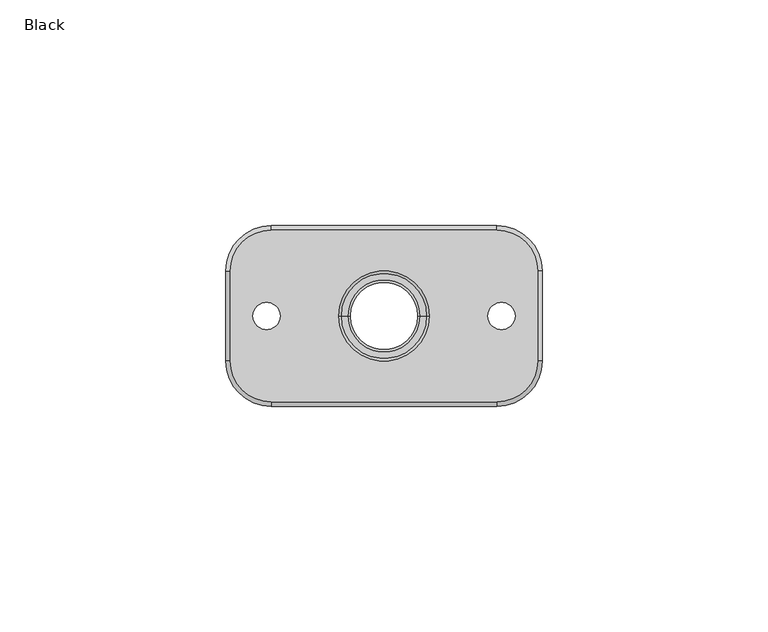
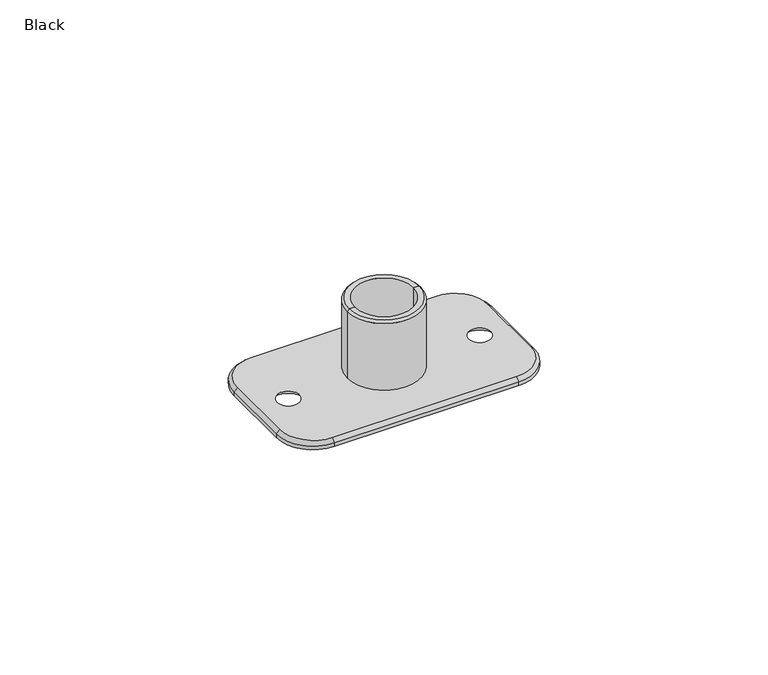
"""IFC4 building model written with IfcOpenShell, lengths in millimetres: proxy geometry, Black."""

import ifcopenshell
import ifcopenshell.guid

model = None  # the IFC model being written
_history = None  # IfcOwnerHistory: only IFC2X3 demands one
_inside = {}  # id of a spatial element -> (the spatial element, [elements in it])
_under = {}  # id of a project, library or spatial element -> (it, [spatial elements below it])
_declared = {}  # id of a project -> (the project, [libraries it declares])
_typed = {}  # id of a type object -> (the type object, [elements of that type])
_made_of = {}  # id of a material, layer set ... -> (it, [elements and type objects made of it])


def new_model(schema):
    """Start an empty IFC model of exactly this schema.

    Asked for "IFC4X3", IfcOpenShell would pick the latest addendum, in which some entities
    have other attributes; the version numbers below select the first issue.
    IFC2X3 requires an IfcOwnerHistory on every rooted entity: one is made here for all.
    """
    global model, _history
    if schema == "IFC4X3":
        model = ifcopenshell.file(schema_version=(4, 3, 0, 0))
    else:
        model = ifcopenshell.file(schema=schema)
    _inside.clear()
    _under.clear()
    _declared.clear()
    _typed.clear()
    _made_of.clear()
    _history = None
    if model.schema == "IFC2X3":
        org = make("IfcOrganization", Name="unknown")
        user = make(
            "IfcPersonAndOrganization",
            ThePerson=make("IfcPerson", FamilyName="unknown"),
            TheOrganization=org,
        )
        app = make(
            "IfcApplication",
            ApplicationDeveloper=org,
            Version="unknown",
            ApplicationFullName="unknown",
            ApplicationIdentifier="unknown",
        )
        _history = make(
            "IfcOwnerHistory",
            OwningUser=user,
            OwningApplication=app,
            ChangeAction="ADDED",
            CreationDate=0,
        )
    return model


def make(cls, **values):
    """One entity of the class cls with the attributes given. An attribute that is None is left unset."""
    return model.create_entity(
        cls, **{name: value for name, value in values.items() if value is not None}
    )


def rooted(cls, **values):
    """An entity with a GlobalId (a new one), such as an element, a storey or a relation."""
    return make(cls, GlobalId=ifcopenshell.guid.new(), OwnerHistory=_history, **values)


def si_unit(unit_type, name, prefix=None):
    """IfcSIUnit, for example si_unit("LENGTHUNIT", "METRE", prefix="MILLI")."""
    return make("IfcSIUnit", UnitType=unit_type, Prefix=prefix, Name=name)


def assignment(units):
    """IfcUnitAssignment: the units of a project."""
    return None if units is None else make("IfcUnitAssignment", Units=units)


def point(xyz):
    """IfcCartesianPoint."""
    return None if xyz is None else make("IfcCartesianPoint", Coordinates=xyz)


def direction(xyz):
    """IfcDirection."""
    return None if xyz is None else make("IfcDirection", DirectionRatios=xyz)


def frame(location, z_axis=None, x_axis=None):
    """IfcAxis2Placement3D, a coordinate frame: its origin and axes. An axis left out is left unset."""
    return make(
        "IfcAxis2Placement3D",
        Location=point(location),
        Axis=direction(z_axis),
        RefDirection=direction(x_axis),
    )


def origin():
    """The frame at (0, 0, 0) with its axes left unset."""
    return frame((0.0, 0.0, 0.0))


def place(relative_to, where):
    """IfcLocalPlacement: puts the frame where relative to a parent placement (None: the world)."""
    return make(
        "IfcLocalPlacement", PlacementRelTo=relative_to, RelativePlacement=where
    )


def context(
    kind, dimensions, precision=None, world=None, true_north=None, identifier=None
):
    """IfcGeometricRepresentationContext, for example the 3D "Model" context."""
    return make(
        "IfcGeometricRepresentationContext",
        ContextIdentifier=identifier,
        ContextType=kind,
        CoordinateSpaceDimension=dimensions,
        Precision=precision,
        WorldCoordinateSystem=world,
        TrueNorth=true_north,
    )


def project(units=None, contexts=None):
    """IfcProject with its units and contexts."""
    return rooted(
        "IfcProject",
        Name="project",
        RepresentationContexts=contexts,
        UnitsInContext=assignment(units),
    )


def spatial(cls, under=None, at=None, **own):
    """A site, building, storey or space (cls), placed at a placement, below another one or the project."""
    s = rooted(cls, ObjectPlacement=at, **own)
    if under is not None:
        _under.setdefault(under.id(), (under, []))[1].append(s)
    return s


def polyline(points):
    """IfcPolyline through the points."""
    return make("IfcPolyline", Points=[point(p) for p in points])


def circle_curve(where, radius):
    """IfcCircle in the frame where."""
    return make("IfcCircle", Position=where, Radius=radius)


def shape(context_of_items, identifier, shape_type, items):
    """IfcShapeRepresentation: the items that make up one representation, for example the "Body"."""
    return make(
        "IfcShapeRepresentation",
        ContextOfItems=context_of_items,
        RepresentationIdentifier=identifier,
        RepresentationType=shape_type,
        Items=items,
    )


def source(mapping_origin, context_of_items, identifier, shape_type, items):
    """IfcRepresentationMap: a shape defined once, which mapped items show again and again."""
    return make(
        "IfcRepresentationMap",
        MappingOrigin=mapping_origin,
        MappedRepresentation=shape(context_of_items, identifier, shape_type, items),
    )


def transform(
    local_origin,
    x_axis=None,
    y_axis=None,
    z_axis=None,
    scale=None,
    scale2=None,
    scale3=None,
    uniform=True,
):
    """IfcCartesianTransformationOperator3D, or its non-uniform kind. x_axis, y_axis, z_axis: its Axis1, 2, 3."""
    if uniform:
        return make(
            "IfcCartesianTransformationOperator3D",
            Axis1=direction(x_axis),
            Axis2=direction(y_axis),
            LocalOrigin=point(local_origin),
            Scale=scale,
            Axis3=direction(z_axis),
        )
    return make(
        "IfcCartesianTransformationOperator3DnonUniform",
        Axis1=direction(x_axis),
        Axis2=direction(y_axis),
        LocalOrigin=point(local_origin),
        Scale=scale,
        Axis3=direction(z_axis),
        Scale2=scale2,
        Scale3=scale3,
    )


def mapped(mapping_source, mapping_target):
    """IfcMappedItem: shows the shape of a source again, moved by a transform."""
    return make(
        "IfcMappedItem", MappingSource=mapping_source, MappingTarget=mapping_target
    )


def made_of(thing, what):
    """Note that an element or type object is made of a material, layer set ...; save() writes the relation."""
    if what is not None:
        _made_of.setdefault(what.id(), (what, []))[1].append(thing)
    return thing


def element(
    cls,
    number,
    at=None,
    inside=None,
    cuts=None,
    type_object=None,
    material=None,
    context=None,
    identifier="Body",
    shape_type=None,
    held_by="IfcProductDefinitionShape",
    body=None,
    shapes=None,
    **own,
):
    """One element of the class cls, such as IfcWall. Its Tag is "e" and its number.

    at: its placement. inside: the storey or other place that contains it. cuts: it is an
    opening in that element (IfcRelVoidsElement). A single representation is given by context,
    identifier, shape_type and body (its items); several are given by shapes. held_by: the class
    of the entity that holds the representations. save() writes the other relations.
    """
    e = rooted(cls, Tag="e%d" % number, ObjectPlacement=at, **own)
    if body is not None:
        shapes = [shape(context, identifier, shape_type, body)]
    if shapes is not None:
        e.Representation = make(held_by, Representations=shapes)
    if inside is not None:
        _inside.setdefault(inside.id(), (inside, []))[1].append(e)
    if cuts is not None:
        rooted(
            "IfcRelVoidsElement", RelatingBuildingElement=cuts, RelatedOpeningElement=e
        )
    if type_object is not None:
        _typed.setdefault(type_object.id(), (type_object, []))[1].append(e)
    return made_of(e, material)


def aggregate(whole, parts):
    """IfcRelAggregates: a whole, such as a stair, and the parts it consists of."""
    return rooted("IfcRelAggregates", RelatingObject=whole, RelatedObjects=parts)


def save(model, path):
    """Write the relations noted so far, then the file.

    IfcRelAggregates (storeys below a building ...), IfcRelContainedInSpatialStructure (elements
    in a storey), IfcRelDefinesByType, IfcRelAssociatesMaterial and IfcRelDeclares: one each for
    every whole, place, type object, material and project.
    """
    for whole, parts in _under.values():
        aggregate(whole, parts)
    for where, things in _inside.values():
        rooted(
            "IfcRelContainedInSpatialStructure",
            RelatedElements=things,
            RelatingStructure=where,
        )
    for kind, things in _typed.values():
        rooted("IfcRelDefinesByType", RelatedObjects=things, RelatingType=kind)
    for what, things in _made_of.values():
        rooted("IfcRelAssociatesMaterial", RelatedObjects=things, RelatingMaterial=what)
    for by, libraries in _declared.values():
        rooted("IfcRelDeclares", RelatingContext=by, RelatedDefinitions=libraries)
    model.write(path)


def plane_surface(at):
    """IfcPlane: the flat surface through the origin of the frame at, square to its z axis."""
    return make("IfcPlane", Position=at)


def cylinder_surface(at, radius):
    """IfcCylindricalSurface: all points at the distance radius from the z axis of the frame at."""
    return make("IfcCylindricalSurface", Position=at, Radius=radius)


def revolved_surface(curve, axis_point, axis_direction):
    """IfcSurfaceOfRevolution: the curve turned about the line through axis_point along axis_direction."""
    return make(
        "IfcSurfaceOfRevolution",
        SweptCurve=make("IfcArbitraryOpenProfileDef", ProfileType="CURVE", Curve=curve),
        AxisPosition=make("IfcAxis1Placement", Location=point(axis_point), Axis=direction(axis_direction)),
    )


def advanced_brep(points, edges, surfaces, faces):
    """IfcAdvancedBrep: a solid bounded by faces that lie on surfaces and meet in shared edges.

    An edge is (start, end): straight between two places in points (the first is 0);
    or (start, end, curve); or (start, end, curve, False) where it runs against its curve.
    A face is (place in surfaces, loops), or (place, loops, False) where it looks against
    its surface's normal. A loop lists edges by number (the first is 1), with a minus sign
    where the edge is run from its end to its start. The first loop is the outer one.
    """
    corners = [point(p) for p in points]
    vertices = [make("IfcVertexPoint", VertexGeometry=c) for c in corners]
    made = []
    for start, end, *more in edges:
        made.append(
            make(
                "IfcEdgeCurve",
                EdgeStart=vertices[start],
                EdgeEnd=vertices[end],
                EdgeGeometry=more[0] if more else make("IfcPolyline", Points=[corners[start], corners[end]]),
                SameSense=more[1] if len(more) > 1 else True,
            )
        )
    hull = []
    for where, loops, *sense in faces:
        bounds = []
        for j, loop in enumerate(loops):
            ring = [make("IfcOrientedEdge", EdgeElement=made[abs(k) - 1], Orientation=k > 0) for k in loop]
            bounds.append(
                make(
                    "IfcFaceOuterBound" if j == 0 else "IfcFaceBound",
                    Bound=make("IfcEdgeLoop", EdgeList=ring),
                    Orientation=True,
                )
            )
        hull.append(make("IfcAdvancedFace", Bounds=bounds, FaceSurface=surfaces[where], SameSense=sense[0] if sense else True))
    return make("IfcAdvancedBrep", Outer=make("IfcClosedShell", CfsFaces=hull))


def black_119f8cb9(model_context):
    return source(origin(), model_context, "Body", "AdvancedBrep", [
        advanced_brep(
        [(-34.0, -10.0, 0.0), (-25.0, -19.0, 0.0), (25.0, -19.0, 0.0), (34.0, -10.0, 0.0), (34.0, 10.0, 0.0), (25.0, 19.0, 0.0), (-25.0, 19.0, 0.0), (-34.0, 10.0, 0.0), (7.5, 0.0, 0.0), (-7.5, 0.0, 0.0), (-29.0, 0.0, 0.0), (-23.0, 0.0, 0.0), (23.0, 0.0, 0.0), (29.0, 0.0, 0.0), (25.0, -20.0, -2.0), (-25.0, -20.0, -2.0), (-35.0, -10.0, -2.0), (-35.0, 10.0, -2.0), (-25.0, 20.0, -2.0), (25.0, 20.0, -2.0), (35.0, 10.0, -2.0), (35.0, -10.0, -2.0), (-7.5, 0.0, -2.0), (7.5, 0.0, -2.0), (-21.0, 0.0, -2.0), (-31.0, 0.0, -2.0), (31.0, 0.0, -2.0), (21.0, 0.0, -2.0), (35.0, -10.0, -1.0), (25.0, -20.0, -1.0), (35.0, 10.0, -1.0), (25.0, 20.0, -1.0), (-25.0, 20.0, -1.0), (-35.0, 10.0, -1.0), (-35.0, -10.0, -1.0), (-25.0, -20.0, -1.0)],
        [
            (0, 1, circle_curve(frame((-25.0, -10.0, 0.0), z_axis=(0.0, 0.0, 1.0), x_axis=(-1.0, 0.0, 0.0)), 9.0)),
            (1, 2),
            (2, 3, circle_curve(frame((25.0, -10.0, 0.0), z_axis=(0.0, 0.0, 1.0), x_axis=(0.0, -1.0, 0.0)), 9.0)),
            (3, 4),
            (4, 5, circle_curve(frame((25.0, 10.0, 0.0), z_axis=(0.0, 0.0, 1.0), x_axis=(1.0, 0.0, 0.0)), 9.0)),
            (5, 6),
            (6, 7, circle_curve(frame((-25.0, 10.0, 0.0), z_axis=(0.0, 0.0, 1.0), x_axis=(0.0, 1.0, 0.0)), 9.0)),
            (7, 0),
            (8, 9, circle_curve(frame((0.0, 0.0, 0.0), z_axis=(0.0, 0.0, -1.0), x_axis=(1.0, 0.0, 0.0)), 7.5)),
            (9, 8, circle_curve(frame((0.0, 0.0, 0.0), z_axis=(0.0, 0.0, -1.0), x_axis=(1.0, 0.0, 0.0)), 7.5)),
            (10, 11, circle_curve(frame((-26.0, 0.0, 0.0), z_axis=(0.0, 0.0, -1.0), x_axis=(-1.0, 0.0, 0.0)), 3.0)),
            (11, 10, circle_curve(frame((-26.0, 0.0, 0.0), z_axis=(0.0, 0.0, -1.0), x_axis=(-1.0, 0.0, 0.0)), 3.0)),
            (12, 13, circle_curve(frame((26.0, 0.0, 0.0), z_axis=(0.0, 0.0, -1.0), x_axis=(1.0, 0.0, 0.0)), 3.0)),
            (13, 12, circle_curve(frame((26.0, 0.0, 0.0), z_axis=(0.0, 0.0, -1.0), x_axis=(1.0, 0.0, 0.0)), 3.0)),
            (14, 15),
            (15, 16, circle_curve(frame((-25.0, -10.0, -2.0), z_axis=(0.0, 0.0, -1.0), x_axis=(1.0, 0.0, 0.0)), 10.0)),
            (16, 17),
            (17, 18, circle_curve(frame((-25.0, 10.0, -2.0), z_axis=(0.0, 0.0, -1.0), x_axis=(1.0, 0.0, 0.0)), 10.0)),
            (18, 19),
            (19, 20, circle_curve(frame((25.0, 10.0, -2.0), z_axis=(0.0, 0.0, -1.0), x_axis=(1.0, 0.0, 0.0)), 10.0)),
            (20, 21),
            (21, 14, circle_curve(frame((25.0, -10.0, -2.0), z_axis=(0.0, 0.0, -1.0), x_axis=(1.0, 0.0, 0.0)), 10.0)),
            (22, 23, circle_curve(frame((0.0, 0.0, -2.0), z_axis=(0.0, 0.0, 1.0), x_axis=(1.0, 0.0, 0.0)), 7.5)),
            (23, 22, circle_curve(frame((0.0, 0.0, -2.0), z_axis=(0.0, 0.0, 1.0), x_axis=(1.0, 0.0, 0.0)), 7.5)),
            (24, 25, circle_curve(frame((-26.0, 0.0, -2.0), z_axis=(0.0, 0.0, 1.0), x_axis=(-1.0, 0.0, 0.0)), 5.0)),
            (25, 24, circle_curve(frame((-26.0, 0.0, -2.0), z_axis=(0.0, 0.0, 1.0), x_axis=(-1.0, 0.0, 0.0)), 5.0)),
            (26, 27, circle_curve(frame((26.0, 0.0, -2.0), z_axis=(0.0, 0.0, 1.0), x_axis=(1.0, 0.0, 0.0)), 5.0)),
            (27, 26, circle_curve(frame((26.0, 0.0, -2.0), z_axis=(0.0, 0.0, 1.0), x_axis=(1.0, 0.0, 0.0)), 5.0)),
            (21, 28),
            (28, 29, circle_curve(frame((25.0, -10.0, -1.0), z_axis=(0.0, 0.0, -1.0), x_axis=(1.0, 0.0, 0.0)), 10.0)),
            (29, 14),
            (20, 30),
            (30, 28),
            (19, 31),
            (31, 30, circle_curve(frame((25.0, 10.0, -1.0), z_axis=(0.0, 0.0, -1.0), x_axis=(1.0, 0.0, 0.0)), 10.0)),
            (18, 32),
            (32, 31),
            (17, 33),
            (33, 32, circle_curve(frame((-25.0, 10.0, -1.0), z_axis=(0.0, 0.0, -1.0), x_axis=(1.0, 0.0, 0.0)), 10.0)),
            (16, 34),
            (34, 33),
            (15, 35),
            (35, 34, circle_curve(frame((-25.0, -10.0, -1.0), z_axis=(0.0, 0.0, -1.0), x_axis=(1.0, 0.0, 0.0)), 10.0)),
            (29, 35),
            (8, 23),
            (22, 9),
            (24, 11),
            (10, 25),
            (12, 27),
            (26, 13),
            (35, 1),
            (0, 34),
            (29, 2),
            (28, 3),
            (30, 4),
            (31, 5),
            (32, 6),
            (33, 7),
        ],
        [
            plane_surface(frame((35.0, -10.0, 0.0), z_axis=(0.0, 0.0, 1.0), x_axis=(0.0, 1.0, 0.0))),
            plane_surface(frame((35.0, -10.0, -2.0), z_axis=(0.0, 0.0, -1.0), x_axis=(0.0, -1.0, 0.0))),
            cylinder_surface(frame((25.0, -10.0, -2.0), z_axis=(0.0, 0.0, 1.0), x_axis=(1.0, 0.0, 0.0)), 10.0),
            plane_surface(frame((35.0, -10.0, 0.0), z_axis=(1.0, 0.0, 0.0), x_axis=(0.0, 0.0, -1.0))),
            cylinder_surface(frame((25.0, 10.0, -2.0), z_axis=(0.0, 0.0, 1.0), x_axis=(1.0, 0.0, 0.0)), 10.0),
            plane_surface(frame((25.0, 20.0, 0.0), z_axis=(0.0, 1.0, 0.0), x_axis=(0.0, 0.0, -1.0))),
            cylinder_surface(frame((-25.0, 10.0, -2.0), z_axis=(0.0, 0.0, 1.0), x_axis=(1.0, 0.0, 0.0)), 10.0),
            plane_surface(frame((-35.0, 10.0, 0.0), z_axis=(-1.0, 0.0, 0.0), x_axis=(0.0, 0.0, -1.0))),
            cylinder_surface(frame((-25.0, -10.0, -2.0), z_axis=(0.0, 0.0, 1.0), x_axis=(1.0, 0.0, 0.0)), 10.0),
            plane_surface(frame((-25.0, -20.0, 0.0), z_axis=(0.0, -1.0, 0.0), x_axis=(0.0, 0.0, -1.0))),
            revolved_surface(polyline([(7.5, 0.0, 0.0), (7.5, 0.0, -2.0)]), (0.0, 0.0, -2.0), (0.0, 0.0, 1.0)),
            revolved_surface(polyline([(-31.0, 0.0, -2.0), (-29.0, 0.0, 0.0)]), (-26.0, 0.0, 0.0), (0.0, 0.0, -1.0)),
            revolved_surface(polyline([(29.0, 0.0, 0.0), (31.0, 0.0, -2.0)]), (26.0, 0.0, 0.0), (0.0, 0.0, 1.0)),
            revolved_surface(polyline([(-35.0, -10.0, -1.0), (-34.0, -10.0, 0.0)]), (-25.0, -10.0, 0.0), (0.0, 0.0, 1.0)),
            plane_surface(frame((-25.0, -19.0, 0.0), z_axis=(0.0, -0.7071067811865466, 0.7071067811865485), x_axis=(1.0, 0.0, 0.0))),
            revolved_surface(polyline([(25.0, -20.0, -1.0), (25.0, -19.0, 0.0)]), (25.0, -10.0, 0.0), (0.0, 0.0, 1.0)),
            plane_surface(frame((34.0, -10.0, 0.0), z_axis=(0.7071067811865466, 0.0, 0.7071067811865485), x_axis=(0.0, 1.0, 0.0))),
            revolved_surface(polyline([(35.0, 10.0, -1.0), (34.0, 10.0, 0.0)]), (25.0, 10.0, 0.0), (0.0, 0.0, 1.0)),
            plane_surface(frame((25.0, 19.0, 0.0), z_axis=(0.0, 0.7071067811865466, 0.7071067811865485), x_axis=(-1.0, 0.0, 0.0))),
            revolved_surface(polyline([(-25.0, 20.0, -1.0), (-25.0, 19.0, 0.0)]), (-25.0, 10.0, 0.0), (0.0, 0.0, 1.0)),
            plane_surface(frame((-34.0, 10.0, 0.0), z_axis=(-0.7071067811865466, 0.0, 0.7071067811865485), x_axis=(0.0, -1.0, 0.0))),
        ],
        [
            (0, [[1, 2, 3, 4, 5, 6, 7, 8], [9, 10], [11, 12], [13, 14]]),
            (1, [[15, 16, 17, 18, 19, 20, 21, 22], [23, 24], [25, 26], [27, 28]]),
            (2, [[-22, 29, 30, 31]]),
            (3, [[-21, 32, 33, -29]]),
            (4, [[-20, 34, 35, -32]]),
            (5, [[-19, 36, 37, -34]]),
            (6, [[-18, 38, 39, -36]]),
            (7, [[-17, 40, 41, -38]]),
            (8, [[-16, 42, 43, -40]]),
            (9, [[-15, -31, 44, -42]]),
            (10, [[45, -23, 46, -9]]),
            (10, [[-45, -10, -46, -24]]),
            (11, [[47, -11, 48, -25]]),
            (11, [[-47, -26, -48, -12]]),
            (12, [[49, -27, 50, -13]]),
            (12, [[-49, -14, -50, -28]]),
            (13, [[51, -1, 52, -43]]),
            (14, [[-51, -44, 53, -2]]),
            (15, [[-53, -30, 54, -3]]),
            (16, [[-54, -33, 55, -4]]),
            (17, [[-55, -35, 56, -5]]),
            (18, [[-56, -37, 57, -6]]),
            (19, [[-57, -39, 58, -7]]),
            (20, [[-52, -8, -58, -41]]),
        ],
    ),
        advanced_brep(
        [(8.6, 0.0, -2.0), (-8.6, 0.0, -2.0), (-8.6, 0.0, 6.0), (8.6, 0.0, 6.0), (11.5, 0.0, -2.0), (-11.5, 0.0, -2.0), (11.5, 0.0, -3.0), (-11.5, 0.0, -3.0), (7.5, 0.0, -3.0), (-7.5, 0.0, -3.0), (7.5, 0.0, 6.0), (-7.5, 0.0, 6.0)],
        [
            (0, 1, circle_curve(frame((0.0, 0.0, -2.0), z_axis=(0.0, 0.0, 1.0), x_axis=(-1.0, 0.0, 0.0)), 8.6)),
            (1, 2),
            (2, 3, circle_curve(frame((0.0, 0.0, 6.0), z_axis=(0.0, 0.0, -1.0), x_axis=(-1.0, 0.0, 0.0)), 8.6)),
            (3, 0),
            (1, 0, circle_curve(frame((0.0, 0.0, -2.0), z_axis=(0.0, 0.0, 1.0), x_axis=(-1.0, 0.0, 0.0)), 8.6)),
            (3, 2, circle_curve(frame((0.0, 0.0, 6.0), z_axis=(0.0, 0.0, -1.0), x_axis=(-1.0, 0.0, 0.0)), 8.6)),
            (4, 5, circle_curve(frame((0.0, 0.0, -2.0), z_axis=(0.0, 0.0, 1.0), x_axis=(-1.0, 0.0, 0.0)), 11.5)),
            (5, 1),
            (0, 4),
            (5, 4, circle_curve(frame((0.0, 0.0, -2.0), z_axis=(0.0, 0.0, 1.0), x_axis=(-1.0, 0.0, 0.0)), 11.5)),
            (6, 7, circle_curve(frame((0.0, 0.0, -3.0), z_axis=(0.0, 0.0, 1.0), x_axis=(-1.0, 0.0, 0.0)), 11.5)),
            (7, 5),
            (4, 6),
            (7, 6, circle_curve(frame((0.0, 0.0, -3.0), z_axis=(0.0, 0.0, 1.0), x_axis=(-1.0, 0.0, 0.0)), 11.5)),
            (8, 9, circle_curve(frame((0.0, 0.0, -3.0), z_axis=(0.0, 0.0, 1.0), x_axis=(-1.0, 0.0, 0.0)), 7.5)),
            (9, 7),
            (6, 8),
            (9, 8, circle_curve(frame((0.0, 0.0, -3.0), z_axis=(0.0, 0.0, 1.0), x_axis=(-1.0, 0.0, 0.0)), 7.5)),
            (10, 11, circle_curve(frame((0.0, 0.0, 6.0), z_axis=(0.0, 0.0, 1.0), x_axis=(-1.0, 0.0, 0.0)), 7.5)),
            (11, 9),
            (8, 10),
            (11, 10, circle_curve(frame((0.0, 0.0, 6.0), z_axis=(0.0, 0.0, 1.0), x_axis=(-1.0, 0.0, 0.0)), 7.5)),
            (2, 11),
            (10, 3),
        ],
        [
            cylinder_surface(frame((0.0, 0.0, 4.5433419), z_axis=(0.0, 0.0, -1.0), x_axis=(-1.0, 0.0, 0.0)), 8.6),
            plane_surface(frame((0.0, 0.0, -2.0), z_axis=(0.0, 0.0, 1.0), x_axis=(-1.0, 0.0, 0.0))),
            cylinder_surface(frame((0.0, 0.0, 4.5433419), z_axis=(0.0, 0.0, -1.0), x_axis=(-1.0, 0.0, 0.0)), 11.5),
            plane_surface(frame((0.0, 0.0, -3.0), z_axis=(0.0, 0.0, -1.0), x_axis=(-1.0, 0.0, 0.0))),
            revolved_surface(polyline([(-7.5, 0.0, -3.0), (-7.5, 0.0, 6.0)]), (0.0, 0.0, 4.5433419), (0.0, 0.0, -1.0)),
            plane_surface(frame((0.0, 0.0, 6.0), z_axis=(0.0, 0.0, 1.0), x_axis=(-1.0, 0.0, 0.0))),
        ],
        [
            (0, [[1, 2, 3, 4]]),
            (0, [[5, -4, 6, -2]]),
            (1, [[7, 8, -1, 9]]),
            (1, [[10, -9, -5, -8]]),
            (2, [[11, 12, -7, 13]]),
            (2, [[14, -13, -10, -12]]),
            (3, [[15, 16, -11, 17]]),
            (3, [[18, -17, -14, -16]]),
            (4, [[19, 20, -15, 21]]),
            (4, [[22, -21, -18, -20]]),
            (5, [[-3, 23, -19, 24]]),
            (5, [[-6, -24, -22, -23]]),
        ],
    ),
        advanced_brep(
        [(9.4, 0.0, 20.0), (-9.4, 0.0, 20.0), (-8.0, 0.0, 20.0), (8.0, 0.0, 20.0), (10.0, 0.0, 19.4), (-10.0, 0.0, 19.4), (10.0, 0.0, 0.0), (-10.0, 0.0, 0.0), (8.0, 0.0, 0.0), (-8.0, 0.0, 0.0)],
        [
            (0, 1, circle_curve(frame((0.0, 0.0, 20.0), z_axis=(0.0, 0.0, 1.0), x_axis=(-1.0, 0.0, 0.0)), 9.4)),
            (1, 2),
            (2, 3, circle_curve(frame((0.0, 0.0, 20.0), z_axis=(0.0, 0.0, -1.0), x_axis=(-1.0, 0.0, 0.0)), 8.0)),
            (3, 0),
            (1, 0, circle_curve(frame((0.0, 0.0, 20.0), z_axis=(0.0, 0.0, 1.0), x_axis=(-1.0, 0.0, 0.0)), 9.4)),
            (3, 2, circle_curve(frame((0.0, 0.0, 20.0), z_axis=(0.0, 0.0, -1.0), x_axis=(-1.0, 0.0, 0.0)), 8.0)),
            (4, 5, circle_curve(frame((0.0, 0.0, 19.4), z_axis=(0.0, 0.0, 1.0), x_axis=(-1.0, 0.0, 0.0)), 10.0)),
            (5, 1),
            (0, 4),
            (5, 4, circle_curve(frame((0.0, 0.0, 19.4), z_axis=(0.0, 0.0, 1.0), x_axis=(-1.0, 0.0, 0.0)), 10.0)),
            (6, 7, circle_curve(frame((0.0, 0.0, 0.0), z_axis=(0.0, 0.0, 1.0), x_axis=(-1.0, 0.0, 0.0)), 10.0)),
            (7, 5),
            (4, 6),
            (7, 6, circle_curve(frame((0.0, 0.0, 0.0), z_axis=(0.0, 0.0, 1.0), x_axis=(-1.0, 0.0, 0.0)), 10.0)),
            (8, 9, circle_curve(frame((0.0, 0.0, 0.0), z_axis=(0.0, 0.0, 1.0), x_axis=(-1.0, 0.0, 0.0)), 8.0)),
            (9, 7),
            (6, 8),
            (9, 8, circle_curve(frame((0.0, 0.0, 0.0), z_axis=(0.0, 0.0, 1.0), x_axis=(-1.0, 0.0, 0.0)), 8.0)),
            (2, 9),
            (8, 3),
        ],
        [
            plane_surface(frame((0.0, 0.0, 20.0), z_axis=(0.0, 0.0, 1.0), x_axis=(-1.0, 0.0, 0.0))),
            revolved_surface(polyline([(-9.4, 0.0, 20.0), (-10.0, 0.0, 19.4)]), (0.0, 0.0, 21.1598968), (0.0, 0.0, -1.0)),
            cylinder_surface(frame((0.0, 0.0, 21.1598968), z_axis=(0.0, 0.0, -1.0), x_axis=(-1.0, 0.0, 0.0)), 10.0),
            plane_surface(frame((0.0, 0.0, 0.0), z_axis=(0.0, 0.0, -1.0), x_axis=(-1.0, 0.0, 0.0))),
            revolved_surface(polyline([(-8.0, 0.0, 0.0), (-8.0, 0.0, 20.0)]), (0.0, 0.0, 21.1598968), (0.0, 0.0, -1.0)),
        ],
        [
            (0, [[1, 2, 3, 4]]),
            (0, [[5, -4, 6, -2]]),
            (1, [[7, 8, -1, 9]]),
            (1, [[10, -9, -5, -8]]),
            (2, [[11, 12, -7, 13]]),
            (2, [[14, -13, -10, -12]]),
            (3, [[15, 16, -11, 17]]),
            (3, [[18, -17, -14, -16]]),
            (4, [[-3, 19, -15, 20]]),
            (4, [[-6, -20, -18, -19]]),
        ],
    ),
    ])


if __name__ == "__main__":
    model = new_model("IFC4")
    model_context = context("Model", 3, world=origin())
    ifc_project = project(units=[si_unit("LENGTHUNIT", "METRE", prefix="MILLI")], contexts=[model_context])
    site = spatial("IfcSite", under=ifc_project)
    building = spatial("IfcBuilding", under=site)
    placement = place(None, origin())
    black_shape = black_119f8cb9(model_context)
    element("IfcBuildingElementProxy", 1, Name="Black", ObjectType="Black", at=placement, inside=building, context=model_context, shape_type="MappedRepresentation", body=[
        mapped(black_shape, transform((0.0, 0.0, 0.0), x_axis=(1.0, 0.0, 0.0), y_axis=(0.0, 1.0, 0.0), z_axis=(0.0, 0.0, 1.0))),
    ])
    save(model, "model.ifc")
